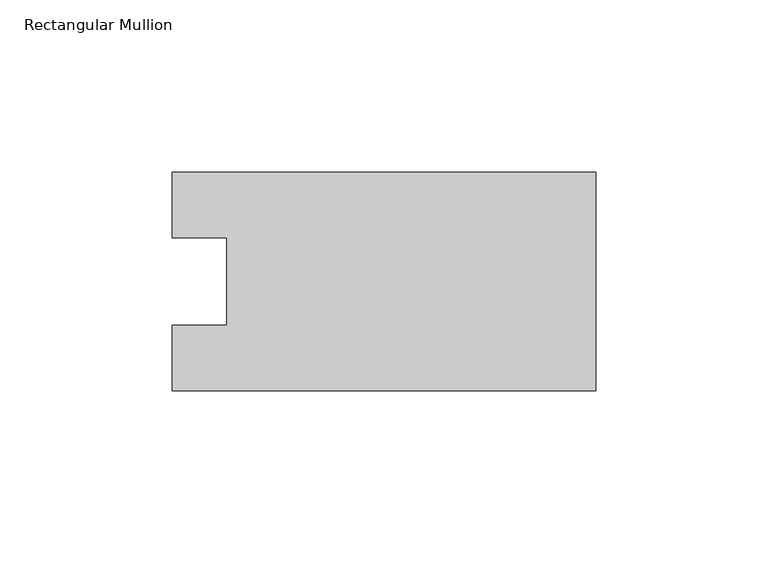
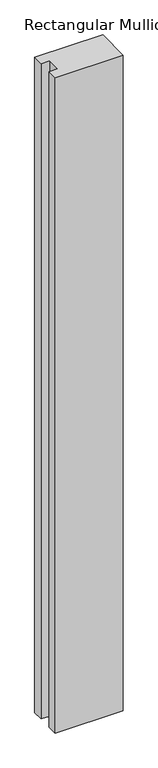
"""IFC4 building model written with IfcOpenShell, lengths in millimetres: member geometry, Rectangular Mullion."""

from ifc_helpers import new_model, si_unit, frame, origin, place, context, project, spatial, polyline, outline, extrude, source, transform, mapped, element, save


def rectangular_mullion_997da498(model_context):
    return source(origin(), model_context, "Body", "SweptSolid", [
        extrude(outline(polyline([(-122.9357968, -31.7489583), (-122.9357968, -12.7), (-107.0607968, -12.7), (-107.0607968, 12.7), (-122.9357968, 12.7), (-122.9357968, 31.7489583), (0.0, 31.7489583), (0.0, -31.7489583), (-122.9357968, -31.7489583)])), frame((0.0, 0.0, -1248.6767), z_axis=(0.0, 0.0, 1.0), x_axis=(1.0, 0.0, 0.0)), (0.0, 0.0, 1.0), 1248.6767),
    ])


if __name__ == "__main__":
    model = new_model("IFC4")
    model_context = context("Model", 3, world=origin())
    ifc_project = project(units=[si_unit("LENGTHUNIT", "METRE", prefix="MILLI")], contexts=[model_context])
    site = spatial("IfcSite", under=ifc_project)
    building = spatial("IfcBuilding", under=site)
    placement = place(None, origin())
    rectangular_mullion_shape = rectangular_mullion_997da498(model_context)
    element("IfcMember", 1, ObjectType="Rectangular Mullion", at=placement, inside=building, context=model_context, shape_type="MappedRepresentation", body=[
        mapped(rectangular_mullion_shape, transform((0.0, 0.0, 0.0), x_axis=(1.0, 0.0, 0.0), y_axis=(0.0, 1.0, 0.0), z_axis=(0.0, 0.0, 1.0))),
    ])
    save(model, "model.ifc")
